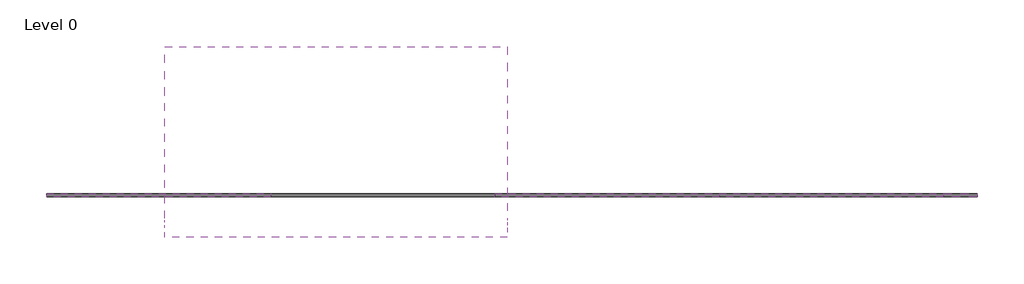
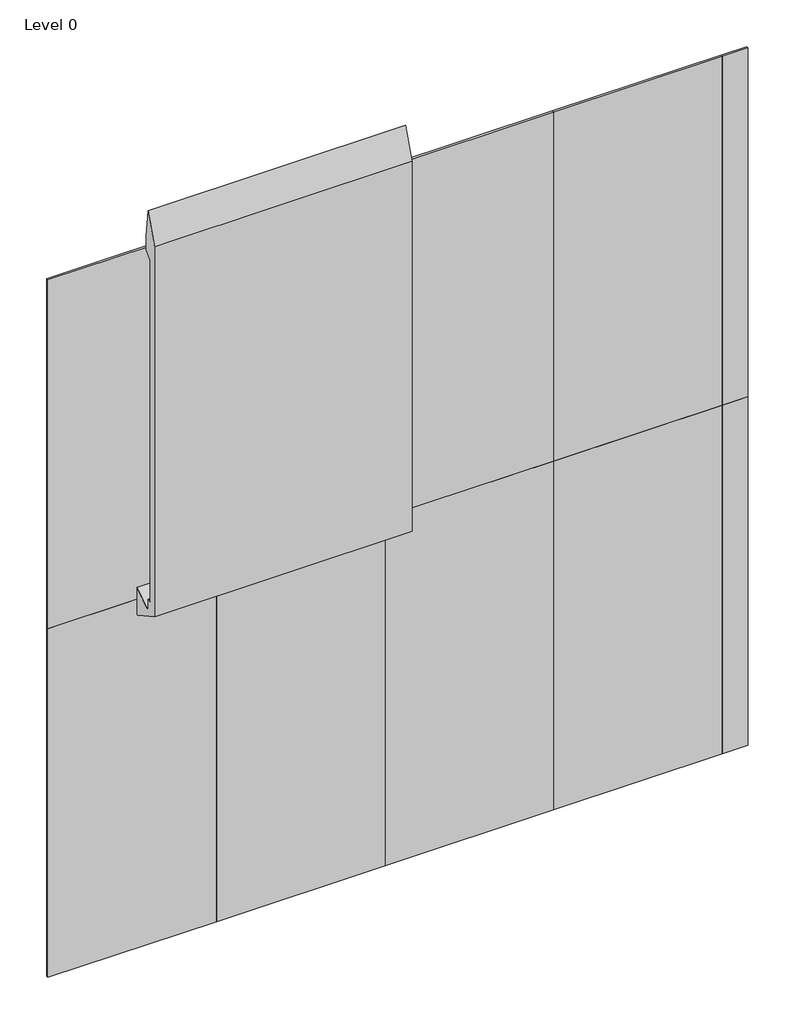
# One storey: 10 plates.
"""IFC4 building model written with IfcOpenShell, lengths in millimetres."""

import ifcopenshell
import ifcopenshell.guid

model = None  # the IFC model being written
_history = None  # IfcOwnerHistory: only IFC2X3 demands one
_inside = {}  # id of a spatial element -> (the spatial element, [elements in it])
_under = {}  # id of a project, library or spatial element -> (it, [spatial elements below it])
_declared = {}  # id of a project -> (the project, [libraries it declares])
_typed = {}  # id of a type object -> (the type object, [elements of that type])
_made_of = {}  # id of a material, layer set ... -> (it, [elements and type objects made of it])


def new_model(schema):
    """Start an empty IFC model of exactly this schema.

    Asked for "IFC4X3", IfcOpenShell would pick the latest addendum, in which some entities
    have other attributes; the version numbers below select the first issue.
    IFC2X3 requires an IfcOwnerHistory on every rooted entity: one is made here for all.
    """
    global model, _history
    if schema == "IFC4X3":
        model = ifcopenshell.file(schema_version=(4, 3, 0, 0))
    else:
        model = ifcopenshell.file(schema=schema)
    _inside.clear()
    _under.clear()
    _declared.clear()
    _typed.clear()
    _made_of.clear()
    _history = None
    if model.schema == "IFC2X3":
        org = make("IfcOrganization", Name="unknown")
        user = make(
            "IfcPersonAndOrganization",
            ThePerson=make("IfcPerson", FamilyName="unknown"),
            TheOrganization=org,
        )
        app = make(
            "IfcApplication",
            ApplicationDeveloper=org,
            Version="unknown",
            ApplicationFullName="unknown",
            ApplicationIdentifier="unknown",
        )
        _history = make(
            "IfcOwnerHistory",
            OwningUser=user,
            OwningApplication=app,
            ChangeAction="ADDED",
            CreationDate=0,
        )
    return model


def make(cls, **values):
    """One entity of the class cls with the attributes given. An attribute that is None is left unset."""
    return model.create_entity(
        cls, **{name: value for name, value in values.items() if value is not None}
    )


def rooted(cls, **values):
    """An entity with a GlobalId (a new one), such as an element, a storey or a relation."""
    return make(cls, GlobalId=ifcopenshell.guid.new(), OwnerHistory=_history, **values)


def si_unit(unit_type, name, prefix=None):
    """IfcSIUnit, for example si_unit("LENGTHUNIT", "METRE", prefix="MILLI")."""
    return make("IfcSIUnit", UnitType=unit_type, Prefix=prefix, Name=name)


def assignment(units):
    """IfcUnitAssignment: the units of a project."""
    return None if units is None else make("IfcUnitAssignment", Units=units)


def point(xyz):
    """IfcCartesianPoint."""
    return None if xyz is None else make("IfcCartesianPoint", Coordinates=xyz)


def direction(xyz):
    """IfcDirection."""
    return None if xyz is None else make("IfcDirection", DirectionRatios=xyz)


def frame(location, z_axis=None, x_axis=None):
    """IfcAxis2Placement3D, a coordinate frame: its origin and axes. An axis left out is left unset."""
    return make(
        "IfcAxis2Placement3D",
        Location=point(location),
        Axis=direction(z_axis),
        RefDirection=direction(x_axis),
    )


def origin():
    """The frame at (0, 0, 0) with its axes left unset."""
    return frame((0.0, 0.0, 0.0))


def origin_with_axes():
    """The frame at (0, 0, 0) with the z axis (0, 0, 1) and the x axis (1, 0, 0) written out."""
    return frame((0.0, 0.0, 0.0), z_axis=(0.0, 0.0, 1.0), x_axis=(1.0, 0.0, 0.0))


def place(relative_to, where):
    """IfcLocalPlacement: puts the frame where relative to a parent placement (None: the world)."""
    return make(
        "IfcLocalPlacement", PlacementRelTo=relative_to, RelativePlacement=where
    )


def context(
    kind, dimensions, precision=None, world=None, true_north=None, identifier=None
):
    """IfcGeometricRepresentationContext, for example the 3D "Model" context."""
    return make(
        "IfcGeometricRepresentationContext",
        ContextIdentifier=identifier,
        ContextType=kind,
        CoordinateSpaceDimension=dimensions,
        Precision=precision,
        WorldCoordinateSystem=world,
        TrueNorth=true_north,
    )


def project(units=None, contexts=None):
    """IfcProject with its units and contexts."""
    return rooted(
        "IfcProject",
        Name="project",
        RepresentationContexts=contexts,
        UnitsInContext=assignment(units),
    )


def spatial(cls, under=None, at=None, **own):
    """A site, building, storey or space (cls), placed at a placement, below another one or the project."""
    s = rooted(cls, ObjectPlacement=at, **own)
    if under is not None:
        _under.setdefault(under.id(), (under, []))[1].append(s)
    return s


def polyline(points):
    """IfcPolyline through the points."""
    return make("IfcPolyline", Points=[point(p) for p in points])


def outline(outer, holes=None, kind="AREA"):
    """IfcArbitraryClosedProfileDef: a profile drawn as a closed curve; with holes, ...WithVoids."""
    if holes is None:
        return make("IfcArbitraryClosedProfileDef", ProfileType=kind, OuterCurve=outer)
    return make(
        "IfcArbitraryProfileDefWithVoids",
        ProfileType=kind,
        OuterCurve=outer,
        InnerCurves=holes,
    )


def extrude(swept, where, along, depth):
    """IfcExtrudedAreaSolid: the profile swept, set in the frame where, extruded along a direction by depth."""
    return make(
        "IfcExtrudedAreaSolid",
        SweptArea=swept,
        Position=where,
        ExtrudedDirection=direction(along),
        Depth=depth,
    )


def shape(context_of_items, identifier, shape_type, items):
    """IfcShapeRepresentation: the items that make up one representation, for example the "Body"."""
    return make(
        "IfcShapeRepresentation",
        ContextOfItems=context_of_items,
        RepresentationIdentifier=identifier,
        RepresentationType=shape_type,
        Items=items,
    )


def source(mapping_origin, context_of_items, identifier, shape_type, items):
    """IfcRepresentationMap: a shape defined once, which mapped items show again and again."""
    return make(
        "IfcRepresentationMap",
        MappingOrigin=mapping_origin,
        MappedRepresentation=shape(context_of_items, identifier, shape_type, items),
    )


def transform(
    local_origin,
    x_axis=None,
    y_axis=None,
    z_axis=None,
    scale=None,
    scale2=None,
    scale3=None,
    uniform=True,
):
    """IfcCartesianTransformationOperator3D, or its non-uniform kind. x_axis, y_axis, z_axis: its Axis1, 2, 3."""
    if uniform:
        return make(
            "IfcCartesianTransformationOperator3D",
            Axis1=direction(x_axis),
            Axis2=direction(y_axis),
            LocalOrigin=point(local_origin),
            Scale=scale,
            Axis3=direction(z_axis),
        )
    return make(
        "IfcCartesianTransformationOperator3DnonUniform",
        Axis1=direction(x_axis),
        Axis2=direction(y_axis),
        LocalOrigin=point(local_origin),
        Scale=scale,
        Axis3=direction(z_axis),
        Scale2=scale2,
        Scale3=scale3,
    )


def mapped(mapping_source, mapping_target):
    """IfcMappedItem: shows the shape of a source again, moved by a transform."""
    return make(
        "IfcMappedItem", MappingSource=mapping_source, MappingTarget=mapping_target
    )


def made_of(thing, what):
    """Note that an element or type object is made of a material, layer set ...; save() writes the relation."""
    if what is not None:
        _made_of.setdefault(what.id(), (what, []))[1].append(thing)
    return thing


def element(
    cls,
    number,
    at=None,
    inside=None,
    cuts=None,
    type_object=None,
    material=None,
    context=None,
    identifier="Body",
    shape_type=None,
    held_by="IfcProductDefinitionShape",
    body=None,
    shapes=None,
    **own,
):
    """One element of the class cls, such as IfcWall. Its Tag is "e" and its number.

    at: its placement. inside: the storey or other place that contains it. cuts: it is an
    opening in that element (IfcRelVoidsElement). A single representation is given by context,
    identifier, shape_type and body (its items); several are given by shapes. held_by: the class
    of the entity that holds the representations. save() writes the other relations.
    """
    e = rooted(cls, Tag="e%d" % number, ObjectPlacement=at, **own)
    if body is not None:
        shapes = [shape(context, identifier, shape_type, body)]
    if shapes is not None:
        e.Representation = make(held_by, Representations=shapes)
    if inside is not None:
        _inside.setdefault(inside.id(), (inside, []))[1].append(e)
    if cuts is not None:
        rooted(
            "IfcRelVoidsElement", RelatingBuildingElement=cuts, RelatedOpeningElement=e
        )
    if type_object is not None:
        _typed.setdefault(type_object.id(), (type_object, []))[1].append(e)
    return made_of(e, material)


def aggregate(whole, parts):
    """IfcRelAggregates: a whole, such as a stair, and the parts it consists of."""
    return rooted("IfcRelAggregates", RelatingObject=whole, RelatedObjects=parts)


def save(model, path):
    """Write the relations noted so far, then the file.

    IfcRelAggregates (storeys below a building ...), IfcRelContainedInSpatialStructure (elements
    in a storey), IfcRelDefinesByType, IfcRelAssociatesMaterial and IfcRelDeclares: one each for
    every whole, place, type object, material and project.
    """
    for whole, parts in _under.values():
        aggregate(whole, parts)
    for where, things in _inside.values():
        rooted(
            "IfcRelContainedInSpatialStructure",
            RelatedElements=things,
            RelatingStructure=where,
        )
    for kind, things in _typed.values():
        rooted("IfcRelDefinesByType", RelatedObjects=things, RelatingType=kind)
    for what, things in _made_of.values():
        rooted("IfcRelAssociatesMaterial", RelatedObjects=things, RelatingMaterial=what)
    for by, libraries in _declared.values():
        rooted("IfcRelDeclares", RelatingContext=by, RelatedDefinitions=libraries)
    model.write(path)


def system_panel_glazed_66cf68f7(model_context):
    return source(origin(), model_context, "Body", "SweptSolid", [
        extrude(outline(polyline([(915.0000002, 24.5), (-915.0000002, 24.5), (-915.0000002, 49.5), (915.0000002, 49.5), (915.0000002, 24.5)])), origin_with_axes(), (0.0, 0.0, 1.0), 4000.0),
    ])


def system_panel_glazed_3c9152fe(model_context):
    return source(origin(), model_context, "Body", "SweptSolid", [
        extrude(outline(polyline([(139.9999998, 24.5), (-139.9999998, 24.5), (-139.9999998, 49.5), (139.9999998, 49.5), (139.9999998, 24.5)])), origin_with_axes(), (0.0, 0.0, 1.0), 4000.0),
    ])


def test_nest_family_1_type_1_3cd9514c(model_context):
    return source(origin(), model_context, "Body", "SweptSolid", [
        extrude(outline(polyline([(-228.6, 122.5973333), (-183.5573333, 122.5973333), (-183.5573333, -5.1972883), (1249.8107588, 961.6216977), (850.3977092, -640.3365464), (-304.8, 0.0), (-304.8, 4241.8), (-183.9924308, 4583.1243079), (-152.4, 4267.2), (-152.4, 4114.8), (-228.6, 4038.6), (-228.6, 122.5973333)])), frame((-1778.0, 0.0, 0.0), z_axis=(1.0, 0.0, 0.0), x_axis=(0.0, 1.0, 0.0)), (0.0, 0.0, 1.0), 2794.0),
    ])


model = new_model("IFC4")

# Units and contexts
model_context = context("Model", 3, world=origin())
ifc_project = project(units=[si_unit("LENGTHUNIT", "METRE", prefix="MILLI")], contexts=[model_context])

# Site, building, storey
site = spatial("IfcSite", under=ifc_project)
building = spatial("IfcBuilding", under=site)
storey = spatial("IfcBuildingStorey", under=building, Name="Level 0", Elevation=0.0)

# Plates
placement = place(None, origin())
system_panel_glazed_shape = system_panel_glazed_66cf68f7(model_context)
element("IfcPlate", 1, ObjectType="System Panel : Glazed", at=placement, inside=storey, context=model_context, shape_type="MappedRepresentation", body=[
    mapped(system_panel_glazed_shape, transform((-8553.1934612, -2092.0940665, 0.0), x_axis=(1.0, 0.0, 0.0), y_axis=(0.0, 1.0, 0.0), z_axis=(0.0, 0.0, 1.0))),
])
element("IfcPlate", 2, ObjectType="System Panel : Glazed", at=placement, inside=storey, context=model_context, shape_type="MappedRepresentation", body=[
    mapped(system_panel_glazed_shape, transform((-6723.193461, -2092.0940665, 0.0), x_axis=(1.0, 0.0, 0.0), y_axis=(0.0, 1.0, 0.0), z_axis=(0.0, 0.0, 1.0))),
])
element("IfcPlate", 3, ObjectType="System Panel : Glazed", at=placement, inside=storey, context=model_context, shape_type="MappedRepresentation", body=[
    mapped(system_panel_glazed_shape, transform((-4893.193461, -2092.0940665, 0.0), x_axis=(1.0, 0.0, 0.0), y_axis=(0.0, 1.0, 0.0), z_axis=(0.0, 0.0, 1.0))),
])
element("IfcPlate", 4, ObjectType="System Panel : Glazed", at=placement, inside=storey, context=model_context, shape_type="MappedRepresentation", body=[
    mapped(system_panel_glazed_shape, transform((-3063.193461, -2092.0940665, 0.0), x_axis=(1.0, 0.0, 0.0), y_axis=(0.0, 1.0, 0.0), z_axis=(0.0, 0.0, 1.0))),
])
element("IfcPlate", 5, ObjectType="System Panel : Glazed", at=placement, inside=storey, context=model_context, shape_type="MappedRepresentation", body=[
    mapped(system_panel_glazed_shape, transform((-8553.1934612, -2092.0940665, 4000.0), x_axis=(1.0, 0.0, 0.0), y_axis=(0.0, 1.0, 0.0), z_axis=(0.0, 0.0, 1.0))),
])
element("IfcPlate", 6, ObjectType="System Panel : Glazed", at=placement, inside=storey, context=model_context, shape_type="MappedRepresentation", body=[
    mapped(system_panel_glazed_shape, transform((-4893.193461, -2092.0940665, 4000.0), x_axis=(1.0, 0.0, 0.0), y_axis=(0.0, 1.0, 0.0), z_axis=(0.0, 0.0, 1.0))),
])
element("IfcPlate", 7, ObjectType="System Panel : Glazed", at=placement, inside=storey, context=model_context, shape_type="MappedRepresentation", body=[
    mapped(system_panel_glazed_shape, transform((-3063.193461, -2092.0940665, 4000.0), x_axis=(1.0, 0.0, 0.0), y_axis=(0.0, 1.0, 0.0), z_axis=(0.0, 0.0, 1.0))),
])
system_panel_glazed_2_shape = system_panel_glazed_3c9152fe(model_context)
element("IfcPlate", 8, ObjectType="System Panel : Glazed", at=placement, inside=storey, context=model_context, shape_type="MappedRepresentation", body=[
    mapped(system_panel_glazed_2_shape, transform((-2008.1934612, -2092.0940665, 0.0), x_axis=(1.0, 0.0, 0.0), y_axis=(0.0, 1.0, 0.0), z_axis=(0.0, 0.0, 1.0))),
])
element("IfcPlate", 9, ObjectType="System Panel : Glazed", at=placement, inside=storey, context=model_context, shape_type="MappedRepresentation", body=[
    mapped(system_panel_glazed_2_shape, transform((-2008.1934612, -2092.0940665, 4000.0), x_axis=(1.0, 0.0, 0.0), y_axis=(0.0, 1.0, 0.0), z_axis=(0.0, 0.0, 1.0))),
])
test_nest_family_1_type_1_shape = test_nest_family_1_type_1_3cd9514c(model_context)
element("IfcPlate", 10, ObjectType="TEST NEST FAMILY 1 : TYPE 1", at=placement, inside=storey, context=model_context, shape_type="MappedRepresentation", body=[
    mapped(test_nest_family_1_type_1_shape, transform((-6723.193461, -2092.0940665, 4000.0), x_axis=(1.0, 0.0, 0.0), y_axis=(0.0, 1.0, 0.0), z_axis=(0.0, 0.0, 1.0))),
])

save(model, "model.ifc")
